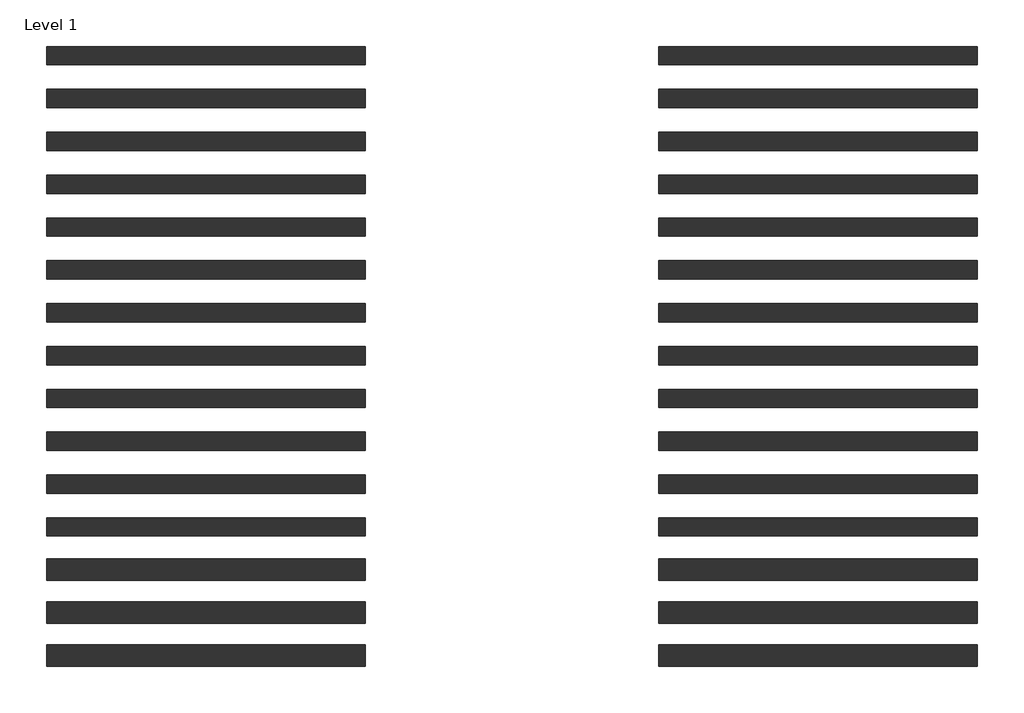
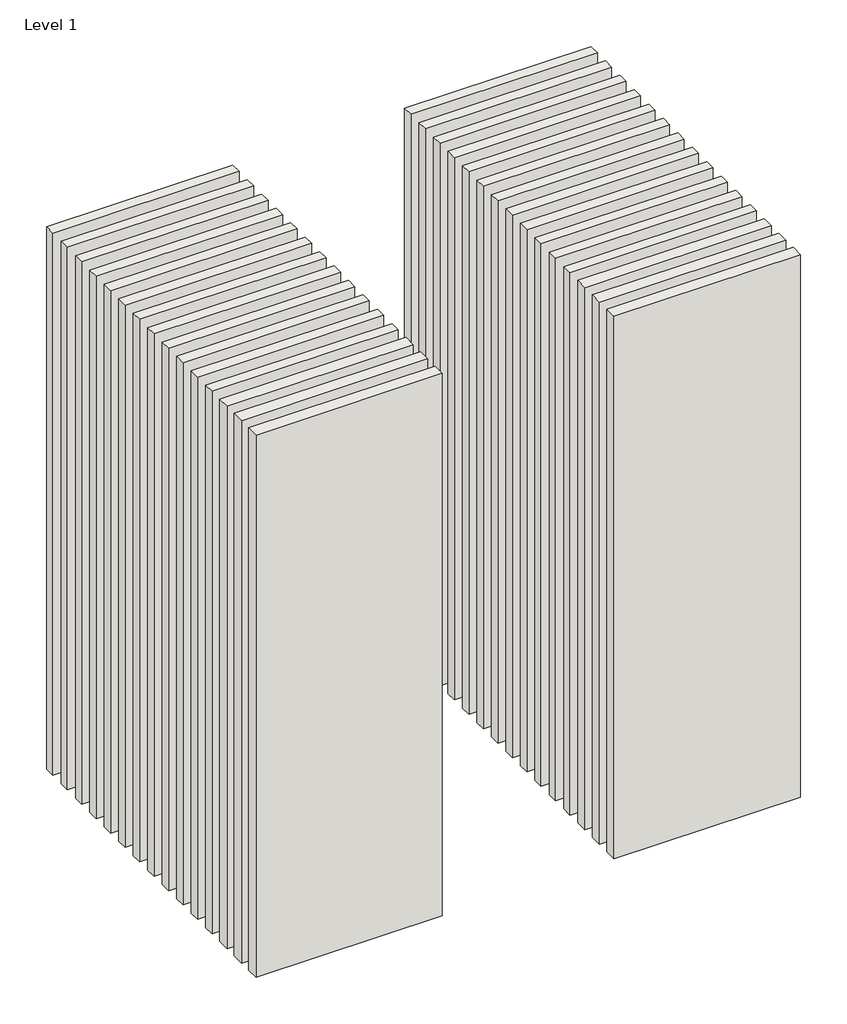
# One storey: 30 walls.
"""IFC4 building model written with IfcOpenShell, lengths in millimetres."""

from ifc_helpers import new_model, si_unit, origin, origin_with_axes, place, context, project, spatial, polyline, outline, extrude, element, save

model = new_model("IFC4")

# Units and contexts
model_context = context("Model", 3, world=origin())
ifc_project = project(units=[si_unit("LENGTHUNIT", "METRE", prefix="MILLI")], contexts=[model_context])

# Site, building, storey
site = spatial("IfcSite", under=ifc_project)
building = spatial("IfcBuilding", under=site)
storey = spatial("IfcBuildingStorey", under=building, Name="Level 1", Elevation=0.0)

# Walls
placement = place(None, origin())
element("IfcWall", 1, at=placement, inside=storey, context=model_context, shape_type="SweptSolid", body=[
    extrude(outline(polyline([(-16904.1464237, 3662.5198817), (-19504.1464237, 3662.5198817), (-19504.1464237, 3812.5198817), (-16904.1464237, 3812.5198817), (-16904.1464237, 3662.5198817)])), origin_with_axes(), (0.0, 0.0, 1.0), 8000.0),
])
element("IfcWall", 2, at=placement, inside=storey, context=model_context, shape_type="SweptSolid", body=[
    extrude(outline(polyline([(-16904.1464237, 3312.5198817), (-19504.1464237, 3312.5198817), (-19504.1464237, 3462.5198817), (-16904.1464237, 3462.5198817), (-16904.1464237, 3312.5198817)])), origin_with_axes(), (0.0, 0.0, 1.0), 8000.0),
])
element("IfcWall", 3, at=placement, inside=storey, context=model_context, shape_type="SweptSolid", body=[
    extrude(outline(polyline([(-16904.1464237, 2962.5198817), (-19504.1464237, 2962.5198817), (-19504.1464237, 3112.5198817), (-16904.1464237, 3112.5198817), (-16904.1464237, 2962.5198817)])), origin_with_axes(), (0.0, 0.0, 1.0), 8000.0),
])
element("IfcWall", 4, at=placement, inside=storey, context=model_context, shape_type="SweptSolid", body=[
    extrude(outline(polyline([(-16904.1464237, 2612.5198817), (-19504.1464237, 2612.5198817), (-19504.1464237, 2762.5198817), (-16904.1464237, 2762.5198817), (-16904.1464237, 2612.5198817)])), origin_with_axes(), (0.0, 0.0, 1.0), 8000.0),
])
element("IfcWall", 5, at=placement, inside=storey, context=model_context, shape_type="SweptSolid", body=[
    extrude(outline(polyline([(-16904.1464237, 2262.5198817), (-19504.1464237, 2262.5198817), (-19504.1464237, 2412.5198817), (-16904.1464237, 2412.5198817), (-16904.1464237, 2262.5198817)])), origin_with_axes(), (0.0, 0.0, 1.0), 8000.0),
])
element("IfcWall", 6, at=placement, inside=storey, context=model_context, shape_type="SweptSolid", body=[
    extrude(outline(polyline([(-16904.1464237, 1912.5198817), (-19504.1464237, 1912.5198817), (-19504.1464237, 2062.5198817), (-16904.1464237, 2062.5198817), (-16904.1464237, 1912.5198817)])), origin_with_axes(), (0.0, 0.0, 1.0), 8000.0),
])
element("IfcWall", 7, at=placement, inside=storey, context=model_context, shape_type="SweptSolid", body=[
    extrude(outline(polyline([(-16904.1464237, 1562.5198817), (-19504.1464237, 1562.5198817), (-19504.1464237, 1712.5198817), (-16904.1464237, 1712.5198817), (-16904.1464237, 1562.5198817)])), origin_with_axes(), (0.0, 0.0, 1.0), 8000.0),
])
element("IfcWall", 8, at=placement, inside=storey, context=model_context, shape_type="SweptSolid", body=[
    extrude(outline(polyline([(-16904.1464237, 1212.5198817), (-19504.1464237, 1212.5198817), (-19504.1464237, 1362.5198817), (-16904.1464237, 1362.5198817), (-16904.1464237, 1212.5198817)])), origin_with_axes(), (0.0, 0.0, 1.0), 8000.0),
])
element("IfcWall", 9, at=placement, inside=storey, context=model_context, shape_type="SweptSolid", body=[
    extrude(outline(polyline([(-16904.1464237, 862.5198817), (-19504.1464237, 862.5198817), (-19504.1464237, 1012.5198817), (-16904.1464237, 1012.5198817), (-16904.1464237, 862.5198817)])), origin_with_axes(), (0.0, 0.0, 1.0), 8000.0),
])
element("IfcWall", 10, at=placement, inside=storey, context=model_context, shape_type="SweptSolid", body=[
    extrude(outline(polyline([(-16904.1464237, 512.5198817), (-19504.1464237, 512.5198817), (-19504.1464237, 662.5198817), (-16904.1464237, 662.5198817), (-16904.1464237, 512.5198817)])), origin_with_axes(), (0.0, 0.0, 1.0), 8000.0),
])
element("IfcWall", 11, at=placement, inside=storey, context=model_context, shape_type="SweptSolid", body=[
    extrude(outline(polyline([(-16904.1464237, 162.5198817), (-19504.1464237, 162.5198817), (-19504.1464237, 312.5198817), (-16904.1464237, 312.5198817), (-16904.1464237, 162.5198817)])), origin_with_axes(), (0.0, 0.0, 1.0), 8000.0),
])
element("IfcWall", 12, at=placement, inside=storey, context=model_context, shape_type="SweptSolid", body=[
    extrude(outline(polyline([(-16904.1464237, -187.4801183), (-19504.1464237, -187.4801183), (-19504.1464237, -37.4801183), (-16904.1464237, -37.4801183), (-16904.1464237, -187.4801183)])), origin_with_axes(), (0.0, 0.0, 1.0), 8000.0),
])
element("IfcWall", 13, at=placement, inside=storey, context=model_context, shape_type="SweptSolid", body=[
    extrude(outline(polyline([(-16904.1464237, -549.9801183), (-19504.1464237, -549.9801183), (-19504.1464237, -374.9801183), (-16904.1464237, -374.9801183), (-16904.1464237, -549.9801183)])), origin_with_axes(), (0.0, 0.0, 1.0), 8000.0),
])
element("IfcWall", 14, at=placement, inside=storey, context=model_context, shape_type="SweptSolid", body=[
    extrude(outline(polyline([(-16904.1464237, -899.9801183), (-19504.1464237, -899.9801183), (-19504.1464237, -724.9801183), (-16904.1464237, -724.9801183), (-16904.1464237, -899.9801183)])), origin_with_axes(), (0.0, 0.0, 1.0), 8000.0),
])
element("IfcWall", 15, at=placement, inside=storey, context=model_context, shape_type="SweptSolid", body=[
    extrude(outline(polyline([(-16904.1464237, -1249.9801183), (-19504.1464237, -1249.9801183), (-19504.1464237, -1074.9801183), (-16904.1464237, -1074.9801183), (-16904.1464237, -1249.9801183)])), origin_with_axes(), (0.0, 0.0, 1.0), 8000.0),
])
element("IfcWall", 16, at=placement, inside=storey, context=model_context, shape_type="SweptSolid", body=[
    extrude(outline(polyline([(-11904.1464237, 3662.5198817), (-14504.1464237, 3662.5198817), (-14504.1464237, 3812.5198817), (-11904.1464237, 3812.5198817), (-11904.1464237, 3662.5198817)])), origin_with_axes(), (0.0, 0.0, 1.0), 8000.0),
])
element("IfcWall", 17, at=placement, inside=storey, context=model_context, shape_type="SweptSolid", body=[
    extrude(outline(polyline([(-11904.1464237, 3312.5198817), (-14504.1464237, 3312.5198817), (-14504.1464237, 3462.5198817), (-11904.1464237, 3462.5198817), (-11904.1464237, 3312.5198817)])), origin_with_axes(), (0.0, 0.0, 1.0), 8000.0),
])
element("IfcWall", 18, at=placement, inside=storey, context=model_context, shape_type="SweptSolid", body=[
    extrude(outline(polyline([(-11904.1464237, 2962.5198817), (-14504.1464237, 2962.5198817), (-14504.1464237, 3112.5198817), (-11904.1464237, 3112.5198817), (-11904.1464237, 2962.5198817)])), origin_with_axes(), (0.0, 0.0, 1.0), 8000.0),
])
element("IfcWall", 19, at=placement, inside=storey, context=model_context, shape_type="SweptSolid", body=[
    extrude(outline(polyline([(-11904.1464237, 2612.5198817), (-14504.1464237, 2612.5198817), (-14504.1464237, 2762.5198817), (-11904.1464237, 2762.5198817), (-11904.1464237, 2612.5198817)])), origin_with_axes(), (0.0, 0.0, 1.0), 8000.0),
])
element("IfcWall", 20, at=placement, inside=storey, context=model_context, shape_type="SweptSolid", body=[
    extrude(outline(polyline([(-11904.1464237, 2262.5198817), (-14504.1464237, 2262.5198817), (-14504.1464237, 2412.5198817), (-11904.1464237, 2412.5198817), (-11904.1464237, 2262.5198817)])), origin_with_axes(), (0.0, 0.0, 1.0), 8000.0),
])
element("IfcWall", 21, at=placement, inside=storey, context=model_context, shape_type="SweptSolid", body=[
    extrude(outline(polyline([(-11904.1464237, 1912.5198817), (-14504.1464237, 1912.5198817), (-14504.1464237, 2062.5198817), (-11904.1464237, 2062.5198817), (-11904.1464237, 1912.5198817)])), origin_with_axes(), (0.0, 0.0, 1.0), 8000.0),
])
element("IfcWall", 22, at=placement, inside=storey, context=model_context, shape_type="SweptSolid", body=[
    extrude(outline(polyline([(-11904.1464237, 1562.5198817), (-14504.1464237, 1562.5198817), (-14504.1464237, 1712.5198817), (-11904.1464237, 1712.5198817), (-11904.1464237, 1562.5198817)])), origin_with_axes(), (0.0, 0.0, 1.0), 8000.0),
])
element("IfcWall", 23, at=placement, inside=storey, context=model_context, shape_type="SweptSolid", body=[
    extrude(outline(polyline([(-11904.1464237, 1212.5198817), (-14504.1464237, 1212.5198817), (-14504.1464237, 1362.5198817), (-11904.1464237, 1362.5198817), (-11904.1464237, 1212.5198817)])), origin_with_axes(), (0.0, 0.0, 1.0), 8000.0),
])
element("IfcWall", 24, at=placement, inside=storey, context=model_context, shape_type="SweptSolid", body=[
    extrude(outline(polyline([(-11904.1464237, 862.5198817), (-14504.1464237, 862.5198817), (-14504.1464237, 1012.5198817), (-11904.1464237, 1012.5198817), (-11904.1464237, 862.5198817)])), origin_with_axes(), (0.0, 0.0, 1.0), 8000.0),
])
element("IfcWall", 25, at=placement, inside=storey, context=model_context, shape_type="SweptSolid", body=[
    extrude(outline(polyline([(-11904.1464237, 512.5198817), (-14504.1464237, 512.5198817), (-14504.1464237, 662.5198817), (-11904.1464237, 662.5198817), (-11904.1464237, 512.5198817)])), origin_with_axes(), (0.0, 0.0, 1.0), 8000.0),
])
element("IfcWall", 26, at=placement, inside=storey, context=model_context, shape_type="SweptSolid", body=[
    extrude(outline(polyline([(-11904.1464237, 162.5198817), (-14504.1464237, 162.5198817), (-14504.1464237, 312.5198817), (-11904.1464237, 312.5198817), (-11904.1464237, 162.5198817)])), origin_with_axes(), (0.0, 0.0, 1.0), 8000.0),
])
element("IfcWall", 27, at=placement, inside=storey, context=model_context, shape_type="SweptSolid", body=[
    extrude(outline(polyline([(-11904.1464237, -187.4801183), (-14504.1464237, -187.4801183), (-14504.1464237, -37.4801183), (-11904.1464237, -37.4801183), (-11904.1464237, -187.4801183)])), origin_with_axes(), (0.0, 0.0, 1.0), 8000.0),
])
element("IfcWall", 28, at=placement, inside=storey, context=model_context, shape_type="SweptSolid", body=[
    extrude(outline(polyline([(-11904.1464237, -549.9801183), (-14504.1464237, -549.9801183), (-14504.1464237, -374.9801183), (-11904.1464237, -374.9801183), (-11904.1464237, -549.9801183)])), origin_with_axes(), (0.0, 0.0, 1.0), 8000.0),
])
element("IfcWall", 29, at=placement, inside=storey, context=model_context, shape_type="SweptSolid", body=[
    extrude(outline(polyline([(-11904.1464237, -899.9801183), (-14504.1464237, -899.9801183), (-14504.1464237, -724.9801183), (-11904.1464237, -724.9801183), (-11904.1464237, -899.9801183)])), origin_with_axes(), (0.0, 0.0, 1.0), 8000.0),
])
element("IfcWall", 30, at=placement, inside=storey, context=model_context, shape_type="SweptSolid", body=[
    extrude(outline(polyline([(-11904.1464237, -1249.9801183), (-14504.1464237, -1249.9801183), (-14504.1464237, -1074.9801183), (-11904.1464237, -1074.9801183), (-11904.1464237, -1249.9801183)])), origin_with_axes(), (0.0, 0.0, 1.0), 8000.0),
])

save(model, "model.ifc")
